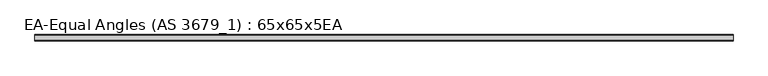
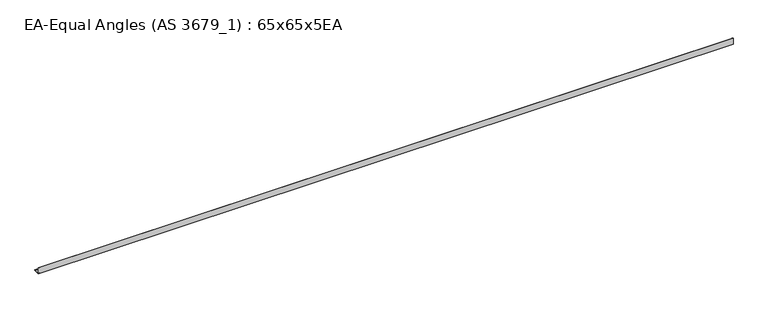
"""IFC4 building model written with IfcOpenShell, lengths in millimetres: beam geometry, EA-Equal Angles (AS 3679_1) : 65x65x5EA."""

from ifc_helpers import new_model, si_unit, point, frame, frame_2d, origin, place, context, project, spatial, polyline, circle_curve, trimmed, segment, composite_curve, outline, extrude, source, transform, mapped, element, save


def ea_equal_angles_as_3679_1_65x65x5ea_b407471b(model_context):
    return source(origin(), model_context, "Body", "SweptSolid", [
        extrude(outline(composite_curve([segment(polyline([(-17.7, -17.7), (-17.7, 47.3), (-15.7, 47.3)]), True, "CONTINUOUS"), segment(trimmed(circle_curve(frame_2d((-15.7, 44.3)), 3.0), [point((-15.7, 47.3))], [point((-12.7, 44.3))], False, "CARTESIAN"), True, "CONTINUOUS"), segment(polyline([(-12.7, 44.3), (-12.7, -6.7)]), True, "CONTINUOUS"), segment(trimmed(circle_curve(frame_2d((-6.7, -6.7)), 6.0), [point((-12.7, -6.7))], [point((-6.7, -12.7))], True, "CARTESIAN"), True, "CONTINUOUS"), segment(polyline([(-6.7, -12.7), (44.3, -12.7)]), True, "CONTINUOUS"), segment(trimmed(circle_curve(frame_2d((44.3, -15.7)), 3.0), [point((44.3, -12.7))], [point((47.3, -15.7))], False, "CARTESIAN"), True, "CONTINUOUS"), segment(polyline([(47.3, -15.7), (47.3, -17.7), (-17.7, -17.7)]), True, "CONTINUOUS")], self_intersect=False)), frame((-3630.35, 0.0, 0.0), z_axis=(1.0, 0.0, 0.0), x_axis=(0.0, 1.0, 0.0)), (0.0, 0.0, 1.0), 7260.7),
    ])


if __name__ == "__main__":
    model = new_model("IFC4")
    model_context = context("Model", 3, world=origin())
    ifc_project = project(units=[si_unit("LENGTHUNIT", "METRE", prefix="MILLI")], contexts=[model_context])
    site = spatial("IfcSite", under=ifc_project)
    building = spatial("IfcBuilding", under=site)
    placement = place(None, origin())
    ea_equal_angles_as_3679_1_65x65x5ea_shape = ea_equal_angles_as_3679_1_65x65x5ea_b407471b(model_context)
    element("IfcBeam", 1, ObjectType="EA-Equal Angles (AS 3679_1) : 65x65x5EA", at=placement, inside=building, context=model_context, shape_type="MappedRepresentation", body=[
        mapped(ea_equal_angles_as_3679_1_65x65x5ea_shape, transform((0.0, 0.0, 0.0), x_axis=(1.0, 0.0, 0.0), y_axis=(0.0, 1.0, 0.0), z_axis=(0.0, 0.0, 1.0))),
    ])
    save(model, "model.ifc")
